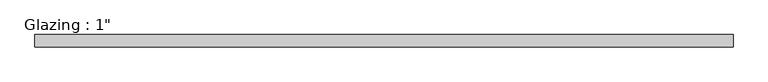
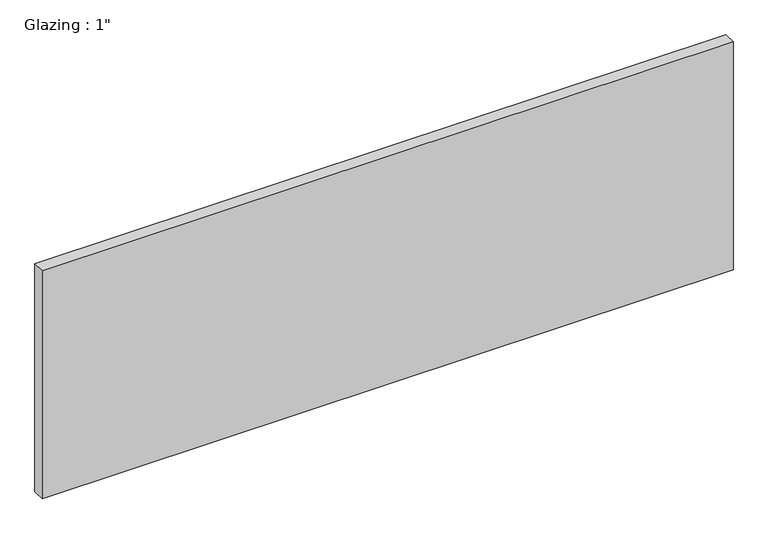
"""IFC4 building model written with IfcOpenShell, lengths in millimetres: plate geometry."""

from ifc_helpers import new_model, si_unit, origin, origin_with_axes, place, context, project, spatial, polyline, outline, extrude, source, transform, mapped, element, save


def plate_02889bfa(model_context):
    return source(origin(), model_context, "Body", "SweptSolid", [
        extrude(outline(polyline([(713.8392649, -12.7), (-713.8392649, -12.7), (-713.8392649, 12.7), (713.8392649, 12.7), (713.8392649, -12.7)])), origin_with_axes(), (0.0, 0.0, 1.0), 497.9851068),
    ])


if __name__ == "__main__":
    model = new_model("IFC4")
    model_context = context("Model", 3, world=origin())
    ifc_project = project(units=[si_unit("LENGTHUNIT", "METRE", prefix="MILLI")], contexts=[model_context])
    site = spatial("IfcSite", under=ifc_project)
    building = spatial("IfcBuilding", under=site)
    placement = place(None, origin())
    plate_shape = plate_02889bfa(model_context)
    element("IfcPlate", 1, ObjectType="Glazing : 1\"", at=placement, inside=building, context=model_context, shape_type="MappedRepresentation", body=[
        mapped(plate_shape, transform((0.0, 0.0, 0.0), x_axis=(1.0, 0.0, 0.0), y_axis=(0.0, 1.0, 0.0), z_axis=(0.0, 0.0, 1.0))),
    ])
    save(model, "model.ifc")
